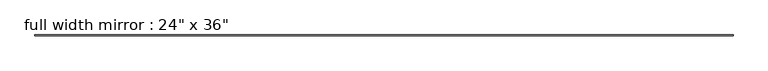
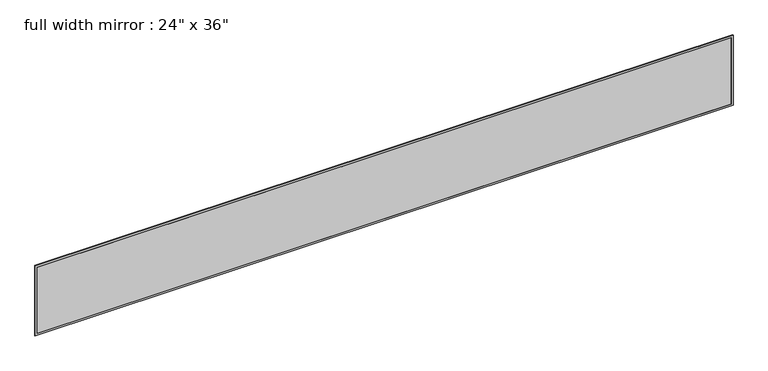
"""IFC4 building model written with IfcOpenShell, lengths in millimetres: proxy geometry."""

from ifc_helpers import new_model, si_unit, frame, origin, place, context, project, spatial, polyline, outline, extrude, source, transform, mapped, element, save


def proxy_d49e0467(model_context):
    return source(origin(), model_context, "Body", "SweptSolid", [
        extrude(outline(polyline([(4279.9, 61.9125), (-4279.9, 61.9125), (-4279.9, 68.2625), (4279.9, 68.2625), (4279.9, 61.9125)])), frame((0.0, 0.0, 939.8), z_axis=(0.0, 0.0, 1.0), x_axis=(1.0, 0.0, 0.0)), (0.0, 0.0, 1.0), 863.6),
        extrude(outline(polyline([(1828.8, -4305.3), (914.4, -4305.3), (914.4, 4305.3), (1828.8, 4305.3), (1828.8, -4305.3)]), holes=[polyline([(1803.4, -4279.9), (1803.4, 4279.9), (939.8, 4279.9), (939.8, -4279.9), (1803.4, -4279.9)])]), frame((0.0, 61.9125, 0.0), z_axis=(0.0, 1.0, 0.0), x_axis=(0.0, 0.0, 1.0)), (0.0, 0.0, 1.0), 9.525),
    ])


if __name__ == "__main__":
    model = new_model("IFC4")
    model_context = context("Model", 3, world=origin())
    ifc_project = project(units=[si_unit("LENGTHUNIT", "METRE", prefix="MILLI")], contexts=[model_context])
    site = spatial("IfcSite", under=ifc_project)
    building = spatial("IfcBuilding", under=site)
    placement = place(None, origin())
    proxy_shape = proxy_d49e0467(model_context)
    element("IfcBuildingElementProxy", 1, Name="full width mirror : 24\" x 36\"", ObjectType="full width mirror : 24\" x 36\"", at=placement, inside=building, context=model_context, shape_type="MappedRepresentation", body=[
        mapped(proxy_shape, transform((0.0, 0.0, 0.0), x_axis=(1.0, 0.0, 0.0), y_axis=(0.0, 1.0, 0.0), z_axis=(0.0, 0.0, 1.0))),
    ])
    save(model, "model.ifc")
